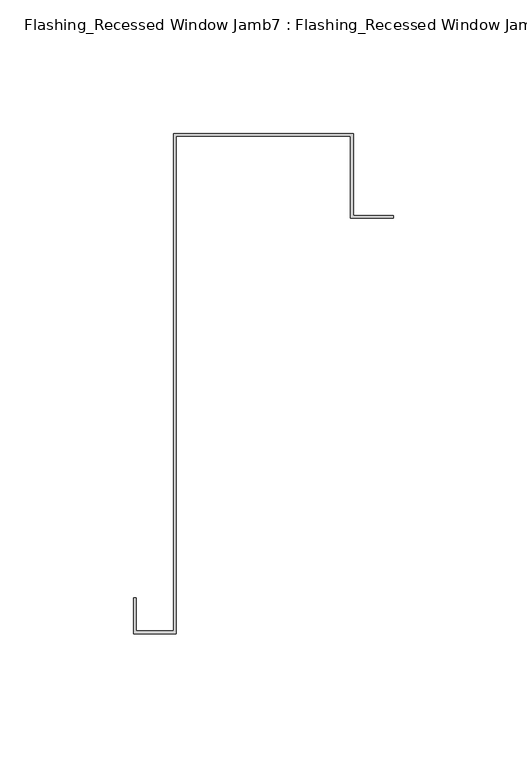
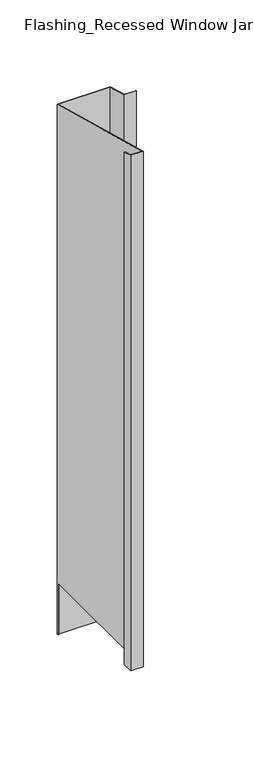
"""IFC4 building model written with IfcOpenShell, lengths in millimetres: proxy geometry, Flashing_Recessed Window Jamb7 : Flashing_Recessed Window Jamb."""

from ifc_helpers import new_model, si_unit, origin, place, context, project, spatial, faceted_brep, source, transform, mapped, element, save


def flashing_recessed_window_jamb7_flashing_recessed_window_jamb_26a59746(model_context):
    return source(origin(), model_context, "Body", "Brep", [
        faceted_brep([(17492.8541786, 5626.9865096, -1055.1751138), (17492.8541786, 5657.7344915, -1055.1751138), (17427.4791786, 5657.7344915, -1055.1751138), (17427.4791786, 5656.8026399, -1055.1751138), (17426.4791786, 5656.8026399, -1055.1751138), (17426.4791786, 5658.7344915, -1055.1751138), (17493.8541786, 5658.7344915, -1055.1751138), (17493.8541786, 5627.9865096, -1055.1751138), (17508.8541786, 5627.9865096, -1055.1751138), (17508.8541786, 5626.9865096, -1055.1751138), (17493.8541786, 5658.7344915, -343.2151173), (17493.8541786, 5627.9865096, -334.9762204), (17426.4791786, 5658.7344915, -343.2151173), (17426.4791786, 5656.8026399, -985.662203), (17426.4791786, 5472.3615096, -985.662203), (17426.4791786, 5472.3615096, -293.2766273), (17412.4791786, 5472.3615096, -293.2766273), (17412.4791786, 5472.3615096, -985.662203), (17412.4791786, 5484.6872381, -296.5792963), (17412.4791786, 5484.6872381, -985.662203), (17411.4791786, 5484.6872381, -296.5792963), (17411.4791786, 5484.6872381, -985.662203), (17411.4791786, 5471.3615096, -293.0086781), (17411.4791786, 5471.3615096, -985.662203), (17427.4791786, 5471.3615096, -293.0086781), (17427.4791786, 5471.3615096, -985.662203), (17427.4791786, 5657.7344915, -342.9471681), (17427.4791786, 5656.8026399, -985.662203), (17492.8541786, 5657.7344915, -342.9471681), (17492.8541786, 5626.9865096, -334.7082712), (17508.8541786, 5626.9865096, -334.7082712), (17508.8541786, 5627.9865096, -334.9762204)], [[[0, 1, 2, 3, 4, 5, 6, 7, 8, 9]], [[7, 6, 10, 11]], [[6, 5, 12, 10]], [[12, 5, 4, 13, 14, 15]], [[16, 15, 14, 17]], [[18, 16, 17, 19]], [[20, 18, 19, 21]], [[22, 20, 21, 23]], [[24, 22, 23, 25]], [[2, 26, 24, 25, 27, 3]], [[2, 1, 28, 26]], [[1, 0, 29, 28]], [[0, 9, 30, 29]], [[9, 8, 31, 30]], [[8, 7, 11, 31]], [[11, 10, 12, 15, 16, 18, 20, 22, 24, 26, 28, 29, 30, 31]], [[13, 27, 25, 23, 21, 19, 17, 14]], [[27, 13, 4, 3]]]),
    ])


if __name__ == "__main__":
    model = new_model("IFC4")
    model_context = context("Model", 3, world=origin())
    ifc_project = project(units=[si_unit("LENGTHUNIT", "METRE", prefix="MILLI")], contexts=[model_context])
    site = spatial("IfcSite", under=ifc_project)
    building = spatial("IfcBuilding", under=site)
    placement = place(None, origin())
    flashing_recessed_window_jamb7_flashing_recessed_window_jamb_shape = flashing_recessed_window_jamb7_flashing_recessed_window_jamb_26a59746(model_context)
    element("IfcBuildingElementProxy", 1, Name="Flashing_Recessed Window Jamb7 : Flashing_Recessed Window Jamb", ObjectType="Flashing_Recessed Window Jamb7 : Flashing_Recessed Window Jamb", at=placement, inside=building, context=model_context, shape_type="MappedRepresentation", body=[
        mapped(flashing_recessed_window_jamb7_flashing_recessed_window_jamb_shape, transform((0.0, 0.0, 0.0), x_axis=(1.0, 0.0, 0.0), y_axis=(0.0, 1.0, 0.0), z_axis=(0.0, 0.0, 1.0))),
    ])
    save(model, "model.ifc")
